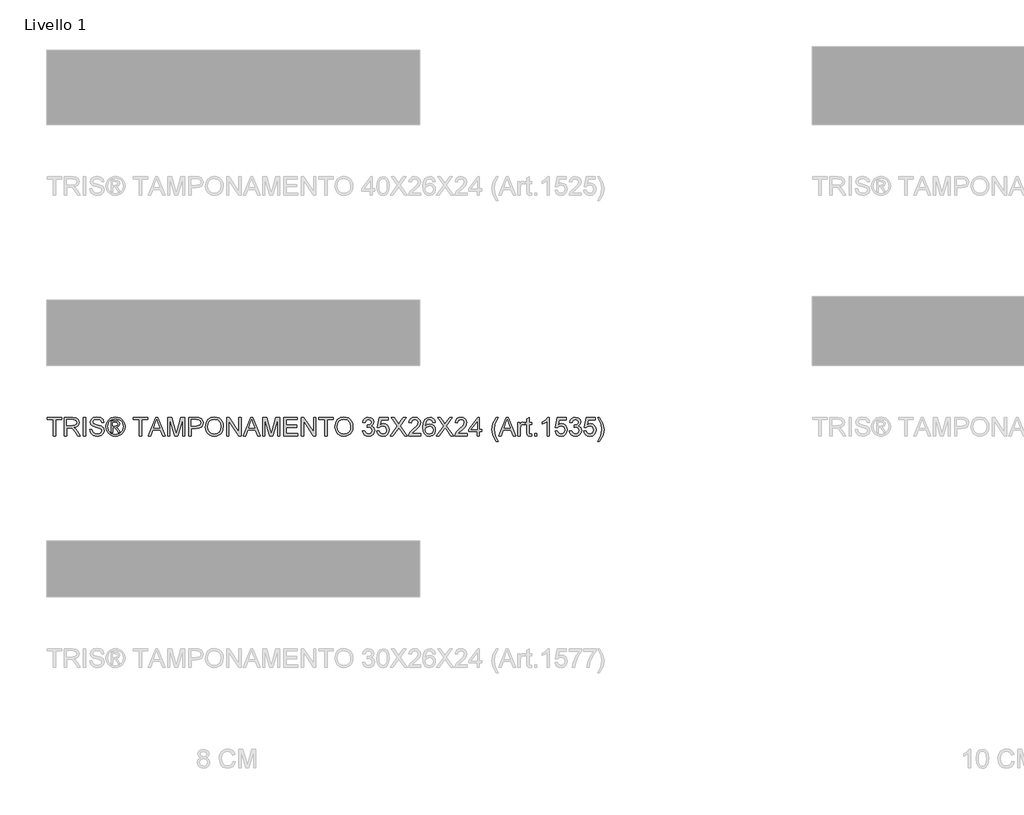
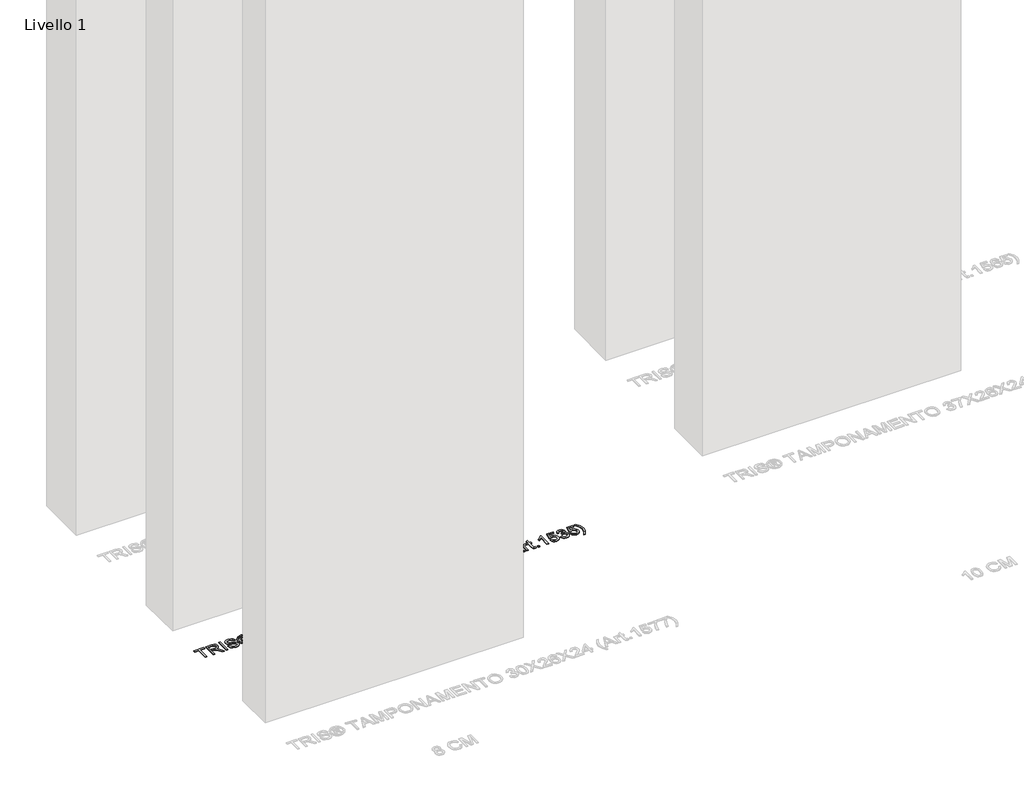
# One storey, part 9 of 16: 1 proxy.
"""IFC4 building model written with IfcOpenShell, lengths in millimetres."""

from ifc_helpers import new_model, si_unit, origin, origin_with_axes, place, context, project, spatial, polyline, outline, extrude, element, save

model = new_model("IFC4")

# Units and contexts
model_context = context("Model", 3, world=origin())
ifc_project = project(units=[si_unit("LENGTHUNIT", "METRE", prefix="MILLI")], contexts=[model_context])

# Site, building, storey
site = spatial("IfcSite", under=ifc_project)
building = spatial("IfcBuilding", under=site)
storey = spatial("IfcBuildingStorey", under=building, Name="Livello 1", Elevation=0.0)

# Proxy
placement = place(None, origin())
element("IfcBuildingElementProxy", 1, Name="100", ObjectType="100", at=placement, inside=storey, context=model_context, shape_type="SweptSolid", body=[
    extrude(outline(polyline([(-5574.7353997, 5999.0708569), (-5574.7353997, 6086.9701283), (-5607.6976265, 6086.9701283), (-5607.6976265, 6099.527167), (-5529.2161342, 6099.527167), (-5529.2161342, 6086.9701283), (-5562.1783609, 6086.9701283), (-5562.1783609, 5999.0708569), (-5574.7353997, 5999.0708569)])), origin_with_axes(), (0.0, 0.0, 1.0), 5.0),
    extrude(outline(polyline([(-5515.0894655, 5999.0708569), (-5515.0894655, 6099.527167), (-5471.8020174, 6099.527167), (-5451.7033978, 6096.817103), (-5440.7159888, 6087.2276457), (-5436.6079732, 6072.0341193), (-5438.3094275, 6062.1380936), (-5443.4137901, 6053.9343251), (-5452.0743454, 6047.9194545), (-5464.4443775, 6044.5901224), (-5457.3074668, 6039.2190453), (-5447.1293983, 6026.2941245), (-5430.3785048, 5999.0708569), (-5444.9711573, 5999.0708569), (-5458.0432308, 6019.8929778), (-5467.4855354, 6033.6762899), (-5474.119674, 6040.1878012), (-5480.0916251, 6042.5790342), (-5487.3756886, 6043.0204926), (-5502.5324268, 6043.0204926), (-5502.5324268, 5999.0708569), (-5515.0894655, 5999.0708569)]), holes=[polyline([(-5502.5324268, 6055.5775314), (-5474.4262423, 6055.5775314), (-5460.0911073, 6057.3556277), (-5451.9486524, 6063.0455359), (-5449.165012, 6071.5681354), (-5454.4747755, 6082.6291207), (-5471.2624572, 6086.9701283), (-5502.5324268, 6086.9701283), (-5502.5324268, 6055.5775314)])]), origin_with_axes(), (0.0, 0.0, 1.0), 5.0),
    extrude(outline(polyline([(-5413.0635255, 5999.0708569), (-5413.0635255, 6099.527167), (-5400.5064868, 6099.527167), (-5400.5064868, 5999.0708569), (-5413.0635255, 5999.0708569)])), origin_with_axes(), (0.0, 0.0, 1.0), 5.0),
    extrude(outline(polyline([(-5380.1012988, 6033.6027135), (-5367.54426, 6033.6027135), (-5363.4975581, 6021.033412), (-5353.6137951, 6013.0871609), (-5338.5551588, 6010.0582658), (-5325.4340343, 6012.3513969), (-5316.9604857, 6018.6544418), (-5314.1768452, 6027.0789395), (-5316.2615099, 6034.914826), (-5324.7963722, 6040.6169969), (-5343.0801073, 6045.4117256), (-5362.7617941, 6051.6044058), (-5373.4426347, 6060.9486085), (-5376.9620391, 6073.4320709), (-5372.6087688, 6087.6445786), (-5359.8923145, 6097.6754943), (-5341.2774856, 6101.0967969), (-5321.4118578, 6097.5160788), (-5308.168106, 6086.9946537), (-5303.1894363, 6071.2738298), (-5315.7464751, 6071.2738298), (-5318.0518689, 6078.7663598), (-5322.8588603, 6084.1742251), (-5340.7869762, 6088.5397581), (-5358.7641431, 6084.2232761), (-5364.4050003, 6073.7999529), (-5360.4073493, 6065.0934123), (-5339.9040594, 6058.0791289), (-5317.6839869, 6051.7760841), (-5305.5316184, 6041.5980155), (-5301.6198065, 6027.3977705), (-5306.1202295, 6012.3759224), (-5319.0696758, 6001.4130389), (-5338.0646495, 5997.5012271), (-5360.4931884, 6001.7196073), (-5374.6811707, 6014.4237988), (-5380.1012988, 6033.6027135)])), origin_with_axes(), (0.0, 0.0, 1.0), 5.0),
    extrude(outline(polyline([(-5265.51832, 6017.9064151), (-5265.51832, 6080.6916089), (-5245.2357593, 6080.6916089), (-5230.177123, 6078.9625635), (-5222.7581694, 6072.9292988), (-5219.9990545, 6063.7690371), (-5224.7569949, 6051.8496605), (-5237.3630846, 6046.1597523), (-5232.4579914, 6042.8242889), (-5223.8986036, 6030.2917756), (-5216.8597948, 6017.9064151), (-5227.4547962, 6017.9064151), (-5232.9730262, 6027.8637544), (-5242.219127, 6042.2847286), (-5250.2389545, 6044.5901224), (-5256.1005409, 6044.5901224), (-5256.1005409, 6017.9064151), (-5265.51832, 6017.9064151)]), holes=[polyline([(-5256.1005409, 6054.0079015), (-5244.1811643, 6054.0079015), (-5232.5315678, 6056.3991345), (-5229.4168336, 6062.7389675), (-5230.912887, 6067.3007043), (-5235.0699535, 6070.2928112), (-5244.9414537, 6071.2738298), (-5256.1005409, 6071.2738298), (-5256.1005409, 6054.0079015)])]), origin_with_axes(), (0.0, 0.0, 1.0), 5.0),
    extrude(outline(polyline([(-5241.9493469, 6101.0967969), (-5229.0550829, 6099.4229338), (-5216.4673873, 6094.4013446), (-5205.4094677, 6086.2650211), (-5197.1045316, 6075.2469554), (-5191.9081985, 6062.5243697), (-5190.1760874, 6049.2744865), (-5191.883673, 6036.1410993), (-5197.0064298, 6023.5227468), (-5205.2101983, 6012.544535), (-5216.160819, 6004.3315694), (-5228.7699744, 5999.2088126), (-5241.9493469, 5997.5012271), (-5255.1103252, 5999.2088126), (-5267.7133492, 6004.3315694), (-5278.673167, 6012.544535), (-5286.9045267, 6023.5227468), (-5292.0548746, 6036.1410993), (-5293.7716572, 6049.2744865), (-5292.0303491, 6062.5243697), (-5286.8064248, 6075.2469554), (-5278.4738976, 6086.2650211), (-5267.4067809, 6094.4013446), (-5254.8252167, 6099.4229338), (-5241.9493469, 6101.0967969)]), holes=[polyline([(-5241.9493469, 6091.6790178), (-5262.7714678, 6086.1975761), (-5271.7999051, 6079.5358463), (-5278.6271818, 6070.5135404), (-5284.3538782, 6049.2744865), (-5278.7375464, 6028.2193737), (-5263.0167224, 6012.5353379), (-5241.9493469, 6006.9190061), (-5220.8697085, 6012.5353379), (-5205.1856728, 6028.2193737), (-5199.5938665, 6049.2744865), (-5205.2837747, 6070.5135404), (-5212.0926573, 6079.5358463), (-5221.1394887, 6086.1975761), (-5241.9493469, 6091.6790178)])]), origin_with_axes(), (0.0, 0.0, 1.0), 5.0),
    extrude(outline(polyline([(-5114.8338548, 5999.0708569), (-5114.8338548, 6086.9701283), (-5147.7960816, 6086.9701283), (-5147.7960816, 6099.527167), (-5069.3145893, 6099.527167), (-5069.3145893, 6086.9701283), (-5102.276816, 6086.9701283), (-5102.276816, 5999.0708569), (-5114.8338548, 5999.0708569)])), origin_with_axes(), (0.0, 0.0, 1.0), 5.0),
    extrude(outline(polyline([(-5066.8865681, 5999.0708569), (-5026.7874306, 6099.527167), (-5016.0943273, 6099.527167), (-4975.9951898, 5999.0708569), (-4989.2634671, 5999.0708569), (-5000.7659108, 6030.4634538), (-5042.1403725, 6030.4634538), (-5053.6182908, 5999.0708569), (-5066.8865681, 5999.0708569)]), holes=[polyline([(-5037.5295849, 6043.0204926), (-5005.352173, 6043.0204926), (-5014.4020701, 6067.7176372), (-5021.4408789, 6086.9701283), (-5027.6948729, 6069.8758782), (-5037.5295849, 6043.0204926)])]), origin_with_axes(), (0.0, 0.0, 1.0), 5.0),
    extrude(outline(polyline([(-4962.5797597, 5999.0708569), (-4962.5797597, 6099.527167), (-4940.9728239, 6099.527167), (-4920.4204831, 6028.7221457), (-4916.2756793, 6013.9332895), (-4911.7875189, 6029.948419), (-4891.5785346, 6099.527167), (-4869.9715988, 6099.527167), (-4869.9715988, 5999.0708569), (-4882.5286376, 5999.0708569), (-4882.5286376, 6086.9701283), (-4907.7653424, 5999.0708569), (-4924.7860161, 5999.0708569), (-4950.0227209, 6086.9701283), (-4950.0227209, 5999.0708569), (-4962.5797597, 5999.0708569)])), origin_with_axes(), (0.0, 0.0, 1.0), 5.0),
    extrude(outline(polyline([(-4847.996781, 5999.0708569), (-4847.996781, 6099.527167), (-4810.767123, 6099.527167), (-4795.7575376, 6098.5706739), (-4783.5561181, 6093.8740471), (-4775.6466552, 6084.1619624), (-4772.6545483, 6070.4644894), (-4774.6748336, 6058.6248206), (-4780.7356895, 6048.7594517), (-4792.0695206, 6042.1007876), (-4809.9087317, 6039.8812329), (-4835.4397422, 6039.8812329), (-4835.4397422, 5999.0708569), (-4847.996781, 5999.0708569)]), holes=[polyline([(-4835.4397422, 6052.4382717), (-4809.1729677, 6052.4382717), (-4790.6807661, 6057.0490593), (-4786.5788819, 6062.5979461), (-4785.2115871, 6070.023031), (-4788.4366859, 6080.4218288), (-4796.9102346, 6086.111737), (-4809.4672733, 6086.9701283), (-4835.4397422, 6086.9701283), (-4835.4397422, 6052.4382717)])]), origin_with_axes(), (0.0, 0.0, 1.0), 5.0),
    extrude(outline(polyline([(-4760.0975096, 6047.9746368), (-4756.7497834, 6070.1885779), (-4746.7066049, 6086.9946537), (-4731.3720571, 6097.5712611), (-4712.1502229, 6101.0967969), (-4698.9739161, 6099.4413279), (-4687.1587727, 6094.474921), (-4677.3485861, 6086.547064), (-4670.18715, 6076.0072448), (-4665.8093542, 6063.3643669), (-4664.350089, 6049.1273337), (-4665.8859963, 6034.7002281), (-4670.4937183, 6021.8795406), (-4677.9188032, 6011.3213273), (-4687.9067994, 6003.6816446), (-4699.6207752, 5999.0463314), (-4712.2237993, 5997.5012271), (-4725.6024412, 5999.2088126), (-4737.4850296, 6004.3315694), (-4747.2706907, 6012.4065792), (-4754.3585504, 6022.9709239), (-4760.0975096, 6047.9746368)]), holes=[polyline([(-4747.5404708, 6047.8520095), (-4745.0296762, 6032.1373169), (-4737.4972923, 6020.162758), (-4726.1757239, 6012.5843889), (-4712.2973757, 6010.0582658), (-4698.2166923, 6012.6089143), (-4686.8767298, 6020.2608598), (-4679.3995282, 6032.6033008), (-4676.9071277, 6049.2254356), (-4681.1745589, 6069.9494546), (-4693.6457585, 6083.6714531), (-4712.0766465, 6088.5397581), (-4725.5840471, 6086.1945104), (-4737.0680967, 6079.1587672), (-4744.9223773, 6066.6415824), (-4747.5404708, 6047.8520095)])]), origin_with_axes(), (0.0, 0.0, 1.0), 5.0),
    extrude(outline(polyline([(-4647.0841607, 5999.0708569), (-4647.0841607, 6099.527167), (-4633.6442051, 6099.527167), (-4581.1597071, 6019.9420288), (-4581.1597071, 6099.527167), (-4568.6026683, 6099.527167), (-4568.6026683, 5999.0708569), (-4582.0426239, 5999.0708569), (-4634.5271219, 6078.6805207), (-4634.5271219, 5999.0708569), (-4647.0841607, 5999.0708569)])), origin_with_axes(), (0.0, 0.0, 1.0), 5.0),
    extrude(outline(polyline([(-4558.326498, 5999.0708569), (-4518.2273605, 6099.527167), (-4507.5342571, 6099.527167), (-4467.4351197, 5999.0708569), (-4480.703397, 5999.0708569), (-4492.2058407, 6030.4634538), (-4533.5803024, 6030.4634538), (-4545.0582207, 5999.0708569), (-4558.326498, 5999.0708569)]), holes=[polyline([(-4528.9695147, 6043.0204926), (-4496.7921029, 6043.0204926), (-4505.842, 6067.7176372), (-4512.8808088, 6086.9701283), (-4519.1348027, 6069.8758782), (-4528.9695147, 6043.0204926)])]), origin_with_axes(), (0.0, 0.0, 1.0), 5.0),
    extrude(outline(polyline([(-4454.0196896, 5999.0708569), (-4454.0196896, 6099.527167), (-4432.4127537, 6099.527167), (-4411.8604129, 6028.7221457), (-4407.7156091, 6013.9332895), (-4403.2274488, 6029.948419), (-4383.0184645, 6099.527167), (-4361.4115287, 6099.527167), (-4361.4115287, 5999.0708569), (-4373.9685674, 5999.0708569), (-4373.9685674, 6086.9701283), (-4399.2052723, 5999.0708569), (-4416.2259459, 5999.0708569), (-4441.4626508, 6086.9701283), (-4441.4626508, 5999.0708569), (-4454.0196896, 5999.0708569)])), origin_with_axes(), (0.0, 0.0, 1.0), 5.0),
    extrude(outline(polyline([(-4339.4367108, 5999.0708569), (-4339.4367108, 6099.527167), (-4267.2337379, 6099.527167), (-4267.2337379, 6086.9701283), (-4326.8796721, 6086.9701283), (-4326.8796721, 6057.1471612), (-4270.3729976, 6057.1471612), (-4270.3729976, 6044.5901224), (-4326.8796721, 6044.5901224), (-4326.8796721, 6011.6278957), (-4265.6641081, 6011.6278957), (-4265.6641081, 5999.0708569), (-4339.4367108, 5999.0708569)])), origin_with_axes(), (0.0, 0.0, 1.0), 5.0),
    extrude(outline(polyline([(-4246.8285499, 5999.0708569), (-4246.8285499, 6099.527167), (-4233.3885943, 6099.527167), (-4180.9040964, 6019.9420288), (-4180.9040964, 6099.527167), (-4168.3470576, 6099.527167), (-4168.3470576, 5999.0708569), (-4181.7870132, 5999.0708569), (-4234.2715111, 6078.6805207), (-4234.2715111, 5999.0708569), (-4246.8285499, 5999.0708569)])), origin_with_axes(), (0.0, 0.0, 1.0), 5.0),
    extrude(outline(polyline([(-4121.2581622, 5999.0708569), (-4121.2581622, 6086.9701283), (-4154.220389, 6086.9701283), (-4154.220389, 6099.527167), (-4075.7388967, 6099.527167), (-4075.7388967, 6086.9701283), (-4108.7011234, 6086.9701283), (-4108.7011234, 5999.0708569), (-4121.2581622, 5999.0708569)])), origin_with_axes(), (0.0, 0.0, 1.0), 5.0),
    extrude(outline(polyline([(-4066.3211176, 6047.9746368), (-4062.9733914, 6070.1885779), (-4052.930213, 6086.9946537), (-4037.5956651, 6097.5712611), (-4018.3738309, 6101.0967969), (-4005.1975241, 6099.4413279), (-3993.3823807, 6094.474921), (-3983.5721942, 6086.547064), (-3976.410758, 6076.0072448), (-3972.0329622, 6063.3643669), (-3970.573697, 6049.1273337), (-3972.1096043, 6034.7002281), (-3976.7173263, 6021.8795406), (-3984.1424112, 6011.3213273), (-3994.1304074, 6003.6816446), (-4005.8443833, 5999.0463314), (-4018.4474073, 5997.5012271), (-4031.8260492, 5999.2088126), (-4043.7086376, 6004.3315694), (-4053.4942987, 6012.4065792), (-4060.5821585, 6022.9709239), (-4066.3211176, 6047.9746368)]), holes=[polyline([(-4053.7640788, 6047.8520095), (-4051.2532842, 6032.1373169), (-4043.7209004, 6020.162758), (-4032.399332, 6012.5843889), (-4018.5209837, 6010.0582658), (-4004.4403003, 6012.6089143), (-3993.1003378, 6020.2608598), (-3985.6231363, 6032.6033008), (-3983.1307358, 6049.2254356), (-3987.3981669, 6069.9494546), (-3999.8693665, 6083.6714531), (-4018.3002545, 6088.5397581), (-4031.8076551, 6086.1945104), (-4043.2917047, 6079.1587672), (-4051.1459853, 6066.6415824), (-4053.7640788, 6047.8520095)])]), origin_with_axes(), (0.0, 0.0, 1.0), 5.0),
    extrude(outline(polyline([(-3918.7759121, 6025.7545643), (-3906.2188733, 6027.3241941), (-3899.2904291, 6014.1049678), (-3886.3287201, 6010.0582658), (-3877.7202814, 6011.450086), (-3871.07388, 6015.6255467), (-3865.4084973, 6029.4088588), (-3871.0248291, 6042.3950932), (-3885.2986505, 6047.5331784), (-3894.1032929, 6046.1597523), (-3892.7053413, 6058.7167911), (-3890.6942531, 6058.5696383), (-3876.4449572, 6062.1748818), (-3871.6992794, 6066.7488813), (-3870.1173868, 6073.2603926), (-3874.703649, 6083.0828419), (-3886.5249238, 6086.9701283), (-3898.4933514, 6083.0460537), (-3904.6492435, 6071.2738298), (-3917.2062822, 6072.8434597), (-3913.5090682, 6084.1190428), (-3906.9301118, 6092.5374091), (-3897.9292657, 6097.7797276), (-3886.9663822, 6099.527167), (-3871.8219068, 6096.081339), (-3861.2269053, 6086.66356), (-3857.5603481, 6073.9961566), (-3861.0429643, 6062.4201365), (-3871.3436602, 6054.1060034), (-3857.6584499, 6045.5220902), (-3852.8514585, 6029.1881296), (-3855.2549542, 6016.9499219), (-3862.4654413, 6006.7228024), (-3873.348617, 5999.8066209), (-3886.7701785, 5997.5012271), (-3898.9102843, 5999.4693957), (-3908.7940473, 6005.3739018), (-3915.6673092, 6014.4054047), (-3918.7759121, 6025.7545643)])), origin_with_axes(), (0.0, 0.0, 1.0), 5.0),
    extrude(outline(polyline([(-3841.8640496, 6025.7545643), (-3829.3070108, 6027.3241941), (-3822.9794405, 6014.3870106), (-3809.858316, 6010.0582658), (-3800.8574699, 6011.5635163), (-3794.1129666, 6016.0792678), (-3789.9007178, 6023.0843541), (-3788.4966348, 6032.0576091), (-3793.7573474, 6046.9690927), (-3800.3638949, 6051.0709769), (-3809.6621123, 6052.4382717), (-3820.6863094, 6050.2555052), (-3827.737381, 6044.5901224), (-3840.2944198, 6046.1597523), (-3829.3070108, 6097.9575372), (-3780.6484856, 6097.9575372), (-3780.6484856, 6085.4004984), (-3819.1534678, 6085.4004984), (-3824.5245449, 6057.7357724), (-3815.5543556, 6063.1804259), (-3806.1549706, 6064.9953104), (-3794.4226006, 6062.7450989), (-3784.6829248, 6055.9944643), (-3778.1254283, 6045.7060312), (-3775.9395961, 6032.8424241), (-3777.9077647, 6020.2853853), (-3783.8122708, 6009.543231), (-3795.1185108, 6000.511728), (-3809.907367, 5997.5012271), (-3822.2406109, 5999.4356732), (-3832.0661258, 6005.2390117), (-3838.801432, 6014.2367922), (-3841.8640496, 6025.7545643)])), origin_with_axes(), (0.0, 0.0, 1.0), 5.0),
    extrude(outline(polyline([(-3771.2307065, 5999.0708569), (-3732.5049952, 6053.8116978), (-3764.9521872, 6099.527167), (-3749.8935508, 6099.527167), (-3731.6220784, 6073.7999529), (-3725.4661863, 6063.7690371), (-3718.2556992, 6073.9716311), (-3700.1804305, 6099.527167), (-3684.901065, 6099.527167), (-3717.348257, 6053.664545), (-3678.6225456, 5999.0708569), (-3693.681182, 5999.0708569), (-3719.4819725, 6035.466649), (-3724.8530497, 6043.0204926), (-3730.7636871, 6034.730885), (-3755.951341, 5999.0708569), (-3771.2307065, 5999.0708569)])), origin_with_axes(), (0.0, 0.0, 1.0), 5.0),
    extrude(outline(polyline([(-3606.4195727, 6011.6278957), (-3606.4195727, 5999.0708569), (-3672.3440262, 5999.0708569), (-3670.9951256, 6007.7283465), (-3663.3677056, 6021.0579375), (-3647.6468816, 6035.6138018), (-3625.9663694, 6056.5340245), (-3620.5462413, 6070.758795), (-3625.659801, 6082.2735015), (-3639.0139175, 6086.9701283), (-3652.9321196, 6082.3838661), (-3658.2173576, 6069.7042), (-3670.7743964, 6071.2738298), (-3667.7301729, 6083.420067), (-3661.1481508, 6092.2921545), (-3651.3716868, 6097.7184139), (-3638.7441373, 6099.527167), (-3626.0246174, 6097.5160788), (-3616.2665474, 6091.4828141), (-3610.0585388, 6082.4697052), (-3607.9892025, 6071.5190845), (-3610.22102, 6059.6119706), (-3617.6399736, 6047.3001865), (-3635.6294031, 6030.0955718), (-3650.0749028, 6018.0167797), (-3655.7402855, 6011.6278957), (-3606.4195727, 6011.6278957)])), origin_with_axes(), (0.0, 0.0, 1.0), 5.0),
    extrude(outline(polyline([(-3529.5077102, 6072.8434597), (-3542.064749, 6071.2738298), (-3546.8226895, 6081.7462039), (-3559.4042537, 6086.9701283), (-3570.7350192, 6083.9289705), (-3579.3066697, 6072.5123659), (-3582.875125, 6050.1328778), (-3571.801877, 6060.1515308), (-3558.0798785, 6063.4256806), (-3546.4793329, 6061.1877318), (-3536.7427228, 6054.4738854), (-3530.139241, 6044.2161091), (-3527.9380804, 6031.3463706), (-3532.0828842, 6014.0191286), (-3543.4872261, 6001.7563955), (-3559.943814, 5997.5012271), (-3574.1900442, 6000.3216557), (-3585.5361381, 6008.7829416), (-3592.9581574, 6023.7189506), (-3595.4321638, 6045.9635486), (-3592.6853115, 6070.9733929), (-3584.4447549, 6088.0737743), (-3573.1936972, 6096.6638189), (-3558.6194388, 6099.527167), (-3547.601373, 6097.7552021), (-3538.7783365, 6092.4393073), (-3532.597919, 6083.9964155), (-3529.5077102, 6072.8434597)]), holes=[polyline([(-3582.875125, 6031.5425743), (-3579.9688572, 6020.66553), (-3572.2433353, 6012.7683299), (-3560.9248326, 6010.0582658), (-3552.6382907, 6011.4623488), (-3546.1237137, 6015.6745976), (-3541.9022678, 6022.2964735), (-3540.4951192, 6030.9294377), (-3541.8838737, 6039.2159796), (-3546.0501373, 6045.5343529), (-3552.6750789, 6049.5350696), (-3561.4398674, 6050.8686418), (-3576.6333938, 6045.5343529), (-3581.3146922, 6039.3692638), (-3582.875125, 6031.5425743)])]), origin_with_axes(), (0.0, 0.0, 1.0), 5.0),
    extrude(outline(polyline([(-3523.2291909, 5999.0708569), (-3484.5034795, 6053.8116978), (-3516.9506715, 6099.527167), (-3501.8920351, 6099.527167), (-3483.6205627, 6073.7999529), (-3477.4646707, 6063.7690371), (-3470.2541835, 6073.9716311), (-3452.1789149, 6099.527167), (-3436.8995493, 6099.527167), (-3469.3467413, 6053.664545), (-3430.6210299, 5999.0708569), (-3445.6796663, 5999.0708569), (-3471.4804569, 6035.466649), (-3476.851534, 6043.0204926), (-3482.7621714, 6034.730885), (-3507.9498253, 5999.0708569), (-3523.2291909, 5999.0708569)])), origin_with_axes(), (0.0, 0.0, 1.0), 5.0),
    extrude(outline(polyline([(-3358.418057, 6011.6278957), (-3358.418057, 5999.0708569), (-3424.3425106, 5999.0708569), (-3422.9936099, 6007.7283465), (-3415.3661899, 6021.0579375), (-3399.6453659, 6035.6138018), (-3377.9648537, 6056.5340245), (-3372.5447256, 6070.758795), (-3377.6582854, 6082.2735015), (-3391.0124018, 6086.9701283), (-3404.9306039, 6082.3838661), (-3410.2158419, 6069.7042), (-3422.7728807, 6071.2738298), (-3419.7286572, 6083.420067), (-3413.1466352, 6092.2921545), (-3403.3701711, 6097.7184139), (-3390.7426217, 6099.527167), (-3378.0231017, 6097.5160788), (-3368.2650318, 6091.4828141), (-3362.0570231, 6082.4697052), (-3359.9876869, 6071.5190845), (-3362.2195043, 6059.6119706), (-3369.6384579, 6047.3001865), (-3387.6278874, 6030.0955718), (-3402.0733871, 6018.0167797), (-3407.7387698, 6011.6278957), (-3358.418057, 6011.6278957)])), origin_with_axes(), (0.0, 0.0, 1.0), 5.0),
    extrude(outline(polyline([(-3305.0506422, 5999.0708569), (-3305.0506422, 6022.6153046), (-3350.5699078, 6022.6153046), (-3350.5699078, 6035.1723434), (-3301.9113826, 6097.9575372), (-3292.4936035, 6097.9575372), (-3292.4936035, 6035.1723434), (-3279.9365647, 6035.1723434), (-3279.9365647, 6022.6153046), (-3292.4936035, 6022.6153046), (-3292.4936035, 5999.0708569), (-3305.0506422, 5999.0708569)]), holes=[polyline([(-3305.0506422, 6035.1723434), (-3305.0506422, 6073.9716311), (-3335.118864, 6035.1723434), (-3305.0506422, 6035.1723434)])]), origin_with_axes(), (0.0, 0.0, 1.0), 5.0),
    extrude(outline(polyline([(-3201.4550724, 5970.8175197), (-3219.2850864, 6000.2726048), (-3224.7481341, 6017.4526939), (-3226.5691499, 6035.2459198), (-3221.1244964, 6065.7801254), (-3201.4550724, 6099.527167), (-3192.0372933, 6099.527167), (-3203.7849917, 6079.6370138), (-3210.848326, 6060.3599973), (-3214.0121112, 6035.1723434), (-3208.5184067, 6002.9826688), (-3192.0372933, 5970.8175197), (-3201.4550724, 5970.8175197)])), origin_with_axes(), (0.0, 0.0, 1.0), 5.0),
    extrude(outline(polyline([(-3189.6092722, 5999.0708569), (-3149.5101347, 6099.527167), (-3138.8170314, 6099.527167), (-3098.7178939, 5999.0708569), (-3111.9861712, 5999.0708569), (-3123.4886149, 6030.4634538), (-3164.8630766, 6030.4634538), (-3176.3409949, 5999.0708569), (-3189.6092722, 5999.0708569)]), holes=[polyline([(-3160.2522889, 6043.0204926), (-3128.0748771, 6043.0204926), (-3137.1247742, 6067.7176372), (-3144.163583, 6086.9701283), (-3150.4175769, 6069.8758782), (-3160.2522889, 6043.0204926)])]), origin_with_axes(), (0.0, 0.0, 1.0), 5.0),
    extrude(outline(polyline([(-3086.8720936, 5999.0708569), (-3086.8720936, 6072.8434597), (-3075.8846847, 6072.8434597), (-3075.8846847, 6061.9296271), (-3068.0855864, 6071.9850683), (-3060.2374372, 6074.4130895), (-3047.6313475, 6070.5380658), (-3051.8252022, 6059.2808768), (-3060.6543701, 6061.8560507), (-3067.7544926, 6059.3789786), (-3072.2794412, 6052.5118481), (-3074.3150549, 6037.8456192), (-3074.3150549, 5999.0708569), (-3086.8720936, 5999.0708569)])), origin_with_axes(), (0.0, 0.0, 1.0), 5.0),
    extrude(outline(polyline([(-3013.0994909, 6009.543231), (-3011.529861, 5998.7029749), (-3020.9231146, 5997.5012271), (-3031.4445397, 5999.5858917), (-3036.6929895, 6005.0550707), (-3038.2135684, 6019.3043666), (-3038.2135684, 6060.2864209), (-3047.6313475, 6060.2864209), (-3047.6313475, 6072.8434597), (-3038.2135684, 6072.8434597), (-3038.2135684, 6090.7715756), (-3025.6565296, 6098.1537409), (-3025.6565296, 6072.8434597), (-3013.0994909, 6072.8434597), (-3013.0994909, 6060.2864209), (-3025.6565296, 6060.2864209), (-3025.6565296, 6019.6722486), (-3024.9943421, 6013.1975255), (-3022.8483637, 6010.9043944), (-3018.5686699, 6010.0582658), (-3013.0994909, 6009.543231)])), origin_with_axes(), (0.0, 0.0, 1.0), 5.0),
    extrude(outline(polyline([(-2997.4031924, 5999.0708569), (-2997.4031924, 6011.6278957), (-2984.8461536, 6011.6278957), (-2984.8461536, 5999.0708569), (-2997.4031924, 5999.0708569)])), origin_with_axes(), (0.0, 0.0, 1.0), 5.0),
    extrude(outline(polyline([(-2917.3520703, 5999.0708569), (-2929.909109, 5999.0708569), (-2929.909109, 6077.3561455), (-2941.8039602, 6068.8825969), (-2955.0231866, 6062.5427638), (-2955.0231866, 6074.4130895), (-2936.6168241, 6086.1607879), (-2925.4454742, 6099.527167), (-2917.3520703, 6099.527167), (-2917.3520703, 5999.0708569)])), origin_with_axes(), (0.0, 0.0, 1.0), 5.0),
    extrude(outline(polyline([(-2887.5291032, 6025.7545643), (-2874.9720644, 6027.3241941), (-2868.6444941, 6014.3870106), (-2855.5233696, 6010.0582658), (-2846.5225235, 6011.5635163), (-2839.7780202, 6016.0792678), (-2835.5657714, 6023.0843541), (-2834.1616884, 6032.0576091), (-2839.422401, 6046.9690927), (-2846.0289485, 6051.0709769), (-2855.3271659, 6052.4382717), (-2866.351363, 6050.2555052), (-2873.4024346, 6044.5901224), (-2885.9594733, 6046.1597523), (-2874.9720644, 6097.9575372), (-2826.3135392, 6097.9575372), (-2826.3135392, 6085.4004984), (-2864.8185214, 6085.4004984), (-2870.1895985, 6057.7357724), (-2861.2194092, 6063.1804259), (-2851.8200242, 6064.9953104), (-2840.0876542, 6062.7450989), (-2830.3479784, 6055.9944643), (-2823.7904818, 6045.7060312), (-2821.6046497, 6032.8424241), (-2823.5728183, 6020.2853853), (-2829.4773244, 6009.543231), (-2840.7835643, 6000.511728), (-2855.5724205, 5997.5012271), (-2867.9056644, 5999.4356732), (-2877.7311794, 6005.2390117), (-2884.4664856, 6014.2367922), (-2887.5291032, 6025.7545643)])), origin_with_axes(), (0.0, 0.0, 1.0), 5.0),
    extrude(outline(polyline([(-2810.6172407, 6025.7545643), (-2798.060202, 6027.3241941), (-2791.1317577, 6014.1049678), (-2778.1700488, 6010.0582658), (-2769.5616101, 6011.450086), (-2762.9152087, 6015.6255467), (-2757.249826, 6029.4088588), (-2762.8661578, 6042.3950932), (-2777.1399792, 6047.5331784), (-2785.9446216, 6046.1597523), (-2784.54667, 6058.7167911), (-2782.5355818, 6058.5696383), (-2768.2862858, 6062.1748818), (-2763.5406081, 6066.7488813), (-2761.9587155, 6073.2603926), (-2766.5449777, 6083.0828419), (-2778.3662525, 6086.9701283), (-2790.3346801, 6083.0460537), (-2796.4905721, 6071.2738298), (-2809.0476109, 6072.8434597), (-2805.3503968, 6084.1190428), (-2798.7714405, 6092.5374091), (-2789.7705943, 6097.7797276), (-2778.8077109, 6099.527167), (-2763.6632354, 6096.081339), (-2753.068234, 6086.66356), (-2749.4016767, 6073.9961566), (-2752.884293, 6062.4201365), (-2763.1849888, 6054.1060034), (-2749.4997786, 6045.5220902), (-2744.6927872, 6029.1881296), (-2747.0962829, 6016.9499219), (-2754.30677, 6006.7228024), (-2765.1899457, 5999.8066209), (-2778.6115072, 5997.5012271), (-2790.751613, 5999.4693957), (-2800.6353759, 6005.3739018), (-2807.5086379, 6014.4054047), (-2810.6172407, 6025.7545643)])), origin_with_axes(), (0.0, 0.0, 1.0), 5.0),
    extrude(outline(polyline([(-2733.7053783, 6025.7545643), (-2721.1483395, 6027.3241941), (-2714.8207692, 6014.3870106), (-2701.6996447, 6010.0582658), (-2692.6987985, 6011.5635163), (-2685.9542953, 6016.0792678), (-2681.7420465, 6023.0843541), (-2680.3379635, 6032.0576091), (-2685.598676, 6046.9690927), (-2692.2052235, 6051.0709769), (-2701.503441, 6052.4382717), (-2712.5276381, 6050.2555052), (-2719.5787097, 6044.5901224), (-2732.1357484, 6046.1597523), (-2721.1483395, 6097.9575372), (-2672.4898143, 6097.9575372), (-2672.4898143, 6085.4004984), (-2710.9947964, 6085.4004984), (-2716.3658736, 6057.7357724), (-2707.3956843, 6063.1804259), (-2697.9962993, 6064.9953104), (-2686.2639293, 6062.7450989), (-2676.5242535, 6055.9944643), (-2669.9667569, 6045.7060312), (-2667.7809247, 6032.8424241), (-2669.7490934, 6020.2853853), (-2675.6535994, 6009.543231), (-2686.9598394, 6000.511728), (-2701.7486956, 5997.5012271), (-2714.0819395, 5999.4356732), (-2723.9074545, 6005.2390117), (-2730.6427607, 6014.2367922), (-2733.7053783, 6025.7545643)])), origin_with_axes(), (0.0, 0.0, 1.0), 5.0),
    extrude(outline(polyline([(-2650.5149964, 5970.8175197), (-2659.9327755, 5970.8175197), (-2643.4516621, 6002.9826688), (-2637.9579577, 6035.1723434), (-2641.1217428, 6060.1392681), (-2648.1115007, 6079.4408101), (-2659.9327755, 6099.527167), (-2650.5149964, 6099.527167), (-2630.8455724, 6065.7801254), (-2625.4009189, 6035.2459198), (-2627.2311318, 6017.4526939), (-2632.7217706, 6000.2726048), (-2650.5149964, 5970.8175197)])), origin_with_axes(), (0.0, 0.0, 1.0), 5.0),
])

save(model, "model.ifc")
